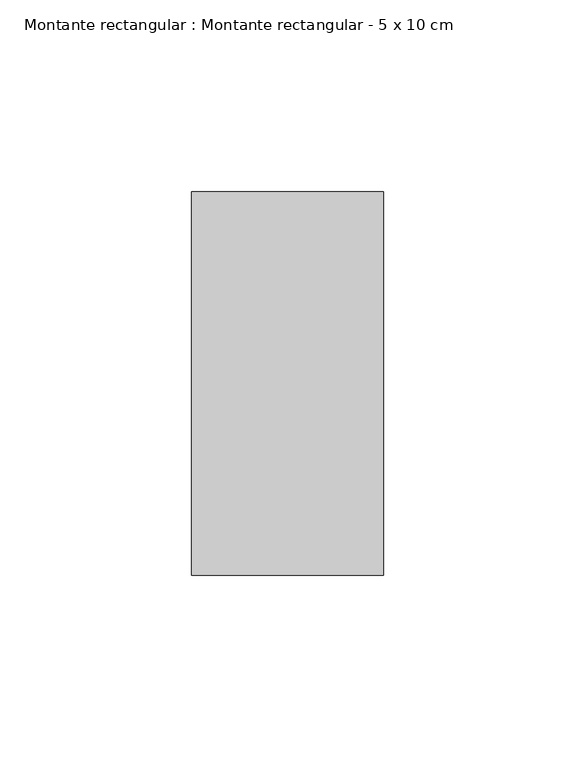
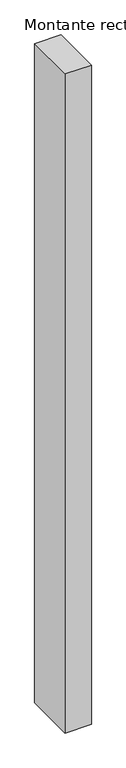
"""IFC4 building model written with IfcOpenShell, lengths in millimetres: member geometry, Montante rectangular : Montante rectangular - 5 x 10 cm."""

from ifc_helpers import new_model, si_unit, frame, origin, place, context, project, spatial, polyline, outline, extrude, source, transform, mapped, element, save


def montante_rectangular_montante_rectangular_5_x_10_cm_e2462b7a(model_context):
    return source(origin(), model_context, "Body", "SweptSolid", [
        extrude(outline(polyline([(25.0, 50.0), (25.0, -50.0), (-25.0, -50.0), (-25.0, 50.0), (25.0, 50.0)])), frame((0.0, 0.0, -1325.5), z_axis=(0.0, 0.0, 1.0), x_axis=(1.0, 0.0, 0.0)), (0.0, 0.0, 1.0), 1325.5),
    ])


if __name__ == "__main__":
    model = new_model("IFC4")
    model_context = context("Model", 3, world=origin())
    ifc_project = project(units=[si_unit("LENGTHUNIT", "METRE", prefix="MILLI")], contexts=[model_context])
    site = spatial("IfcSite", under=ifc_project)
    building = spatial("IfcBuilding", under=site)
    placement = place(None, origin())
    montante_rectangular_montante_rectangular_5_x_10_cm_shape = montante_rectangular_montante_rectangular_5_x_10_cm_e2462b7a(model_context)
    element("IfcMember", 1, ObjectType="Montante rectangular : Montante rectangular - 5 x 10 cm", at=placement, inside=building, context=model_context, shape_type="MappedRepresentation", body=[
        mapped(montante_rectangular_montante_rectangular_5_x_10_cm_shape, transform((0.0, 0.0, 0.0), x_axis=(1.0, 0.0, 0.0), y_axis=(0.0, 1.0, 0.0), z_axis=(0.0, 0.0, 1.0))),
    ])
    save(model, "model.ifc")
